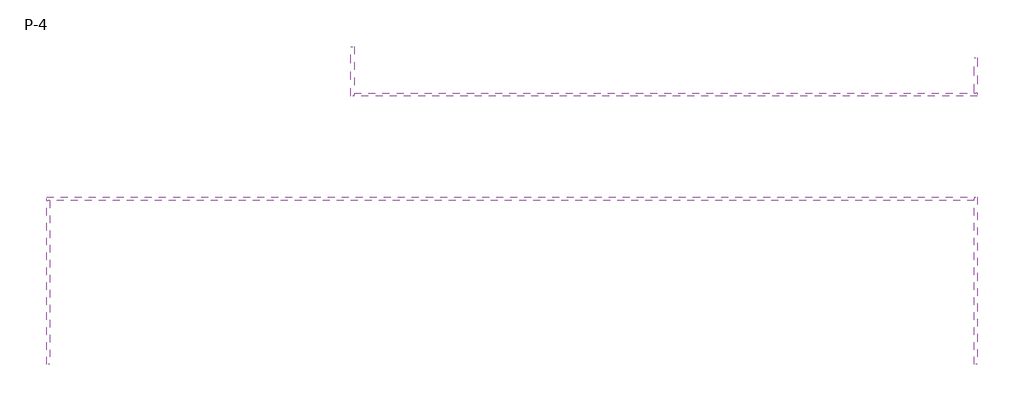
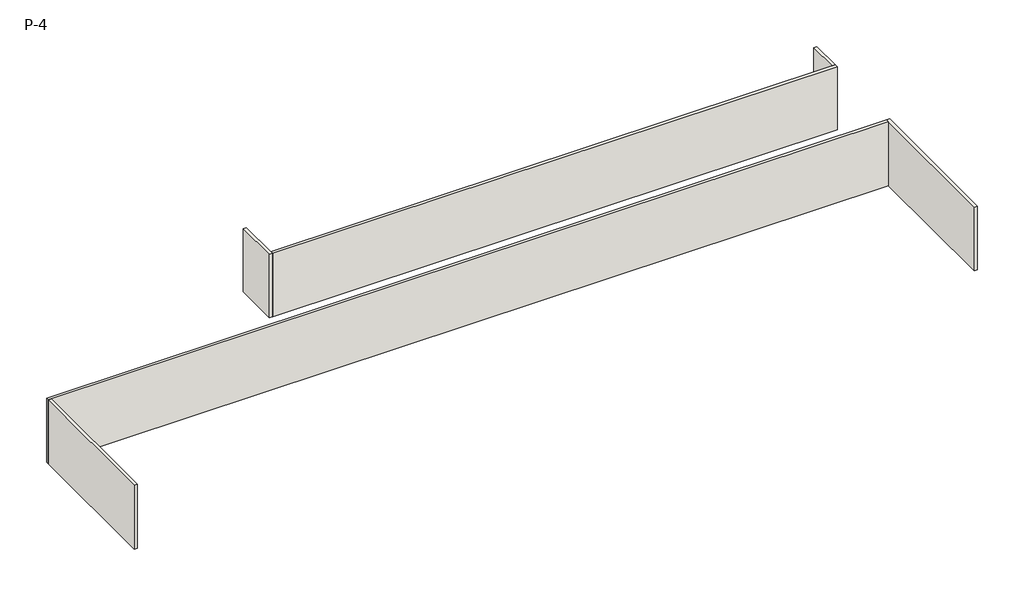
# One storey: 6 walls.
"""IFC4 building model written with IfcOpenShell, lengths in millimetres."""

from ifc_helpers import new_model, si_unit, frame, origin, place, context, project, spatial, polyline, outline, extrude, faceted_brep, element, save

model = new_model("IFC4")

# Units and contexts
model_context = context("Model", 3, world=origin())
ifc_project = project(units=[si_unit("LENGTHUNIT", "METRE", prefix="MILLI")], contexts=[model_context])

# Site, building, storey
site = spatial("IfcSite", under=ifc_project)
building = spatial("IfcBuilding", under=site)
storey = spatial("IfcBuildingStorey", under=building, Name="P-4", Elevation=73609.2)

# Walls
placement = place(None, origin())
element("IfcWall", 1, ObjectType="Foundation - 16\" Concrete 2", at=placement, inside=storey, context=model_context, shape_type="Brep", body=[
    faceted_brep([(42893.8410474, -16368.0732101, 85344.0), (42893.8410474, -36424.814906, 85344.0), (42893.8410474, -36424.814906, 76428.6), (42893.8410474, -16368.0732101, 76428.6), (42487.4410474, -36424.814906, 85344.0), (42487.4410474, -16774.4732101, 85344.0), (42487.4410474, -16368.0732101, 85344.0), (42487.4410474, -16368.0732101, 76428.6), (42487.4410474, -16774.4732101, 76428.6), (42487.4410474, -36424.814906, 76428.6)], [[[0, 1, 2, 3]], [[4, 5, 6, 7, 8, 9]], [[1, 0, 6, 5, 4]], [[1, 4, 9, 2]], [[6, 0, 3, 7]], [[3, 2, 9, 8, 7]]]),
])
element("IfcWall", 2, ObjectType="Foundation - 16\" Concrete 2", at=placement, inside=storey, context=model_context, shape_type="Brep", body=[
    faceted_brep([(-68470.2823886, -16368.0732101, 85344.0), (42487.4410474, -16368.0732101, 85344.0), (42487.4410474, -16368.0732101, 76428.6), (-68470.2823886, -16368.0732101, 76428.6), (42487.4410474, -16774.4732101, 85344.0), (-68063.8823886, -16774.4732101, 85344.0), (-68470.2823886, -16774.4732101, 85344.0), (-68470.2823886, -16774.4732101, 76428.6), (-68063.8823886, -16774.4732101, 76428.6), (42487.4410474, -16774.4732101, 76428.6)], [[[0, 1, 2, 3]], [[4, 5, 6, 7, 8, 9]], [[1, 0, 6, 5, 4]], [[6, 0, 3, 7]], [[1, 4, 9, 2]], [[3, 2, 9, 8, 7]]]),
])
element("IfcWall", 3, ObjectType="Foundation - 16\" Concrete 2", at=placement, inside=storey, context=model_context, shape_type="SweptSolid", body=[
    extrude(outline(polyline([(-68063.8823886, -16774.4732101), (-68063.8823886, -36424.814906), (-68470.2823886, -36424.814906), (-68470.2823886, -16774.4732101), (-68063.8823886, -16774.4732101)])), frame((0.0, 0.0, 76428.6), z_axis=(0.0, 0.0, 1.0), x_axis=(1.0, 0.0, 0.0)), (0.0, 0.0, 1.0), 8915.4),
])
element("IfcWall", 4, ObjectType="Foundation - 16\" Concrete 2", at=placement, inside=storey, context=model_context, shape_type="Brep", body=[
    faceted_brep([(-32063.2696449, -4305.4935141, 85344.0), (-32063.2696449, 1662.5780502, 85344.0), (-32063.2696449, 1662.5780502, 76504.8), (-32063.2696449, -4305.4935141, 76504.8), (-31656.8696449, 1662.5780502, 85344.0), (-31656.8696449, -3899.0935141, 85344.0), (-31656.8696449, -4305.4935141, 85344.0), (-31656.8696449, -4305.4935141, 76504.8), (-31656.8696449, -3899.0935141, 76504.8), (-31656.8696449, 1662.5780502, 76504.8)], [[[0, 1, 2, 3]], [[4, 5, 6, 7, 8, 9]], [[1, 0, 6, 5, 4]], [[1, 4, 9, 2]], [[6, 0, 3, 7]], [[3, 2, 9, 8, 7]]]),
])
element("IfcWall", 5, ObjectType="Foundation - 16\" Concrete 2", at=placement, inside=storey, context=model_context, shape_type="Brep", body=[
    faceted_brep([(42893.8410474, -4305.4935141, 85344.0), (-31656.8696449, -4305.4935141, 85344.0), (-31656.8696449, -4305.4935141, 76504.8), (42893.8410474, -4305.4935141, 76504.8), (-31656.8696449, -3899.0935141, 85344.0), (42487.4410474, -3899.0935141, 85344.0), (42893.8410474, -3899.0935141, 85344.0), (42893.8410474, -3899.0935141, 76504.8), (42487.4410474, -3899.0935141, 76504.8), (-31656.8696449, -3899.0935141, 76504.8)], [[[0, 1, 2, 3]], [[4, 5, 6, 7, 8, 9]], [[1, 0, 6, 5, 4]], [[6, 0, 3, 7]], [[1, 4, 9, 2]], [[3, 2, 9, 8, 7]]]),
])
element("IfcWall", 6, ObjectType="Foundation - 16\" Concrete 2", at=placement, inside=storey, context=model_context, shape_type="SweptSolid", body=[
    extrude(outline(polyline([(42893.8410474, 299.1694172), (42893.8410474, -3899.0935141), (42487.4410474, -3899.0935141), (42487.4410474, 299.1694172), (42893.8410474, 299.1694172)])), frame((0.0, 0.0, 76504.8), z_axis=(0.0, 0.0, 1.0), x_axis=(1.0, 0.0, 0.0)), (0.0, 0.0, 1.0), 8839.2),
])

save(model, "model.ifc")
